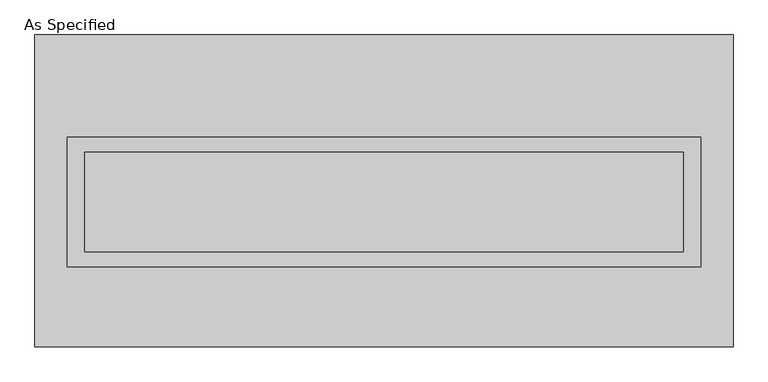
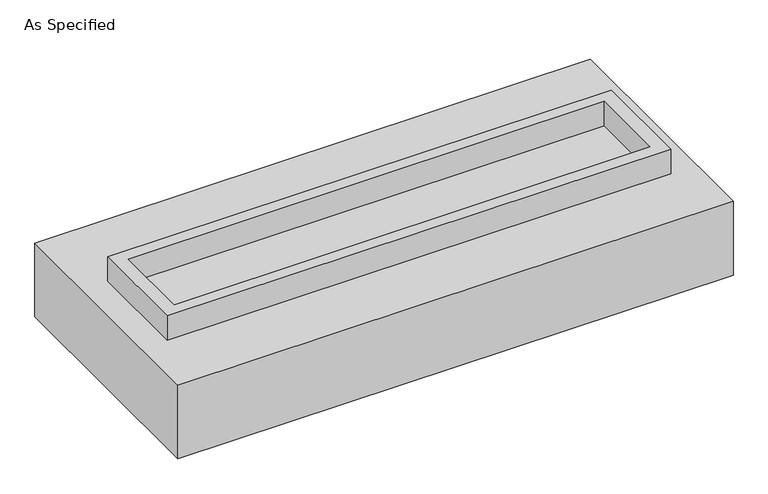
"""IFC4 building model written with IfcOpenShell, lengths in millimetres: proxy geometry, As Specified."""

from ifc_helpers import new_model, si_unit, frame, origin, place, context, project, spatial, polyline, outline, extrude, faceted_brep, source, transform, mapped, element, save


def as_specified_ec6ef20b(model_context):
    return source(origin(), model_context, "Body", "SolidModel", [
        extrude(outline(polyline([(1612.9, 273.05), (1612.9, -387.35), (-1612.9, -387.35), (-1612.9, 273.05), (1612.9, 273.05)]), holes=[polyline([(1524.0, 196.85), (-1524.0, 196.85), (-1524.0, -311.15), (1524.0, -311.15), (1524.0, 196.85)])]), frame((0.0, 0.0, -25.4), z_axis=(0.0, 0.0, 1.0), x_axis=(1.0, 0.0, 0.0)), (0.0, 0.0, 1.0), 165.1),
        extrude(outline(polyline([(1524.0, 196.85), (1524.0, -311.15), (-1524.0, -311.15), (-1524.0, 196.85), (1524.0, 196.85)])), frame((0.0, 0.0, -30.3609375), z_axis=(0.0, 0.0, 1.0), x_axis=(1.0, 0.0, 0.0)), (0.0, 0.0, 1.0), 4.9609375),
        faceted_brep([(1778.0, -793.75, -523.875), (-1778.0, -793.75, -523.875), (-1778.0, 793.75, -523.875), (1778.0, 793.75, -523.875), (1778.0, 793.75, -25.4), (-1778.0, 793.75, -25.4), (-1778.0, -793.75, -25.4), (1778.0, -793.75, -25.4), (1612.9, 273.05, -25.4), (1612.9, -387.35, -25.4), (-1612.9, -387.35, -25.4), (-1612.9, 273.05, -25.4), (1612.9, 273.05, -498.475), (-1612.9, 273.05, -498.475), (-1612.9, -387.35, -498.475), (1612.9, -387.35, -498.475)], [[[0, 1, 2, 3]], [[4, 5, 6, 7], [8, 9, 10, 11]], [[3, 2, 5, 4]], [[2, 1, 6, 5]], [[0, 3, 4, 7]], [[12, 13, 14, 15]], [[14, 13, 11, 10]], [[13, 12, 8, 11]], [[12, 15, 9, 8]], [[10, 9, 15, 14]], [[1, 0, 7, 6]]]),
    ])


if __name__ == "__main__":
    model = new_model("IFC4")
    model_context = context("Model", 3, world=origin())
    ifc_project = project(units=[si_unit("LENGTHUNIT", "METRE", prefix="MILLI")], contexts=[model_context])
    site = spatial("IfcSite", under=ifc_project)
    building = spatial("IfcBuilding", under=site)
    placement = place(None, origin())
    as_specified_shape = as_specified_ec6ef20b(model_context)
    element("IfcBuildingElementProxy", 1, Name="As Specified", ObjectType="As Specified", at=placement, inside=building, context=model_context, shape_type="MappedRepresentation", body=[
        mapped(as_specified_shape, transform((0.0, 0.0, 0.0), x_axis=(1.0, 0.0, 0.0), y_axis=(0.0, 1.0, 0.0), z_axis=(0.0, 0.0, 1.0))),
    ])
    save(model, "model.ifc")
